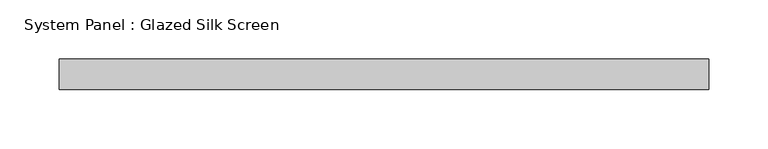
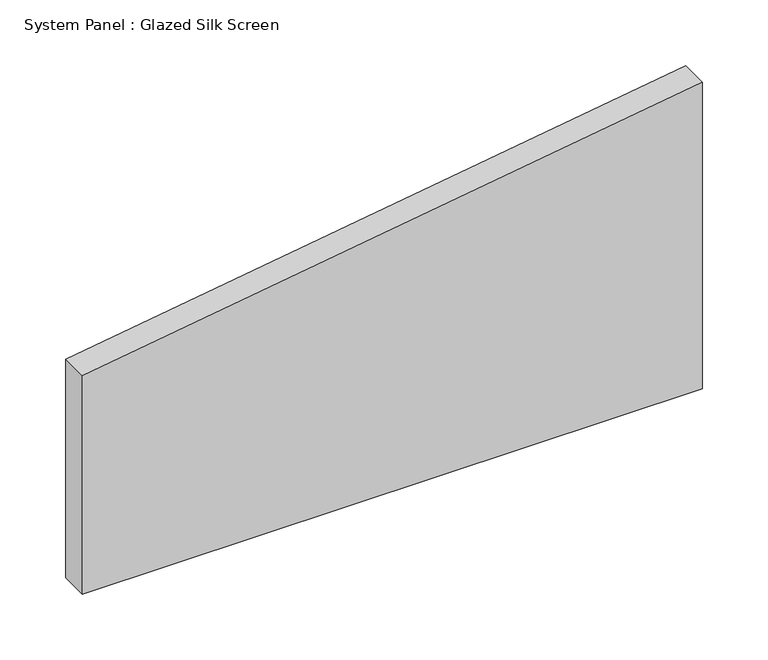
"""IFC4 building model written with IfcOpenShell, lengths in millimetres: plate geometry, System Panel : Glazed Silk Screen."""

from ifc_helpers import new_model, si_unit, frame, origin, place, context, project, spatial, polyline, outline, extrude, source, transform, mapped, element, save


def system_panel_glazed_silk_screen_d5e4a0e1(model_context):
    return source(origin(), model_context, "Body", "SweptSolid", [
        extrude(outline(polyline([(0.0, -273.05), (0.0, 273.05), (285.4536354, 273.05), (203.2410523, -273.05), (0.0, -273.05)])), frame((0.0, 19.05, 0.0), z_axis=(0.0, 1.0, 0.0), x_axis=(0.0, 0.0, 1.0)), (0.0, 0.0, 1.0), 25.4),
    ])


if __name__ == "__main__":
    model = new_model("IFC4")
    model_context = context("Model", 3, world=origin())
    ifc_project = project(units=[si_unit("LENGTHUNIT", "METRE", prefix="MILLI")], contexts=[model_context])
    site = spatial("IfcSite", under=ifc_project)
    building = spatial("IfcBuilding", under=site)
    placement = place(None, origin())
    system_panel_glazed_silk_screen_shape = system_panel_glazed_silk_screen_d5e4a0e1(model_context)
    element("IfcPlate", 1, ObjectType="System Panel : Glazed Silk Screen", at=placement, inside=building, context=model_context, shape_type="MappedRepresentation", body=[
        mapped(system_panel_glazed_silk_screen_shape, transform((0.0, 0.0, 0.0), x_axis=(1.0, 0.0, 0.0), y_axis=(0.0, 1.0, 0.0), z_axis=(0.0, 0.0, 1.0))),
    ])
    save(model, "model.ifc")
